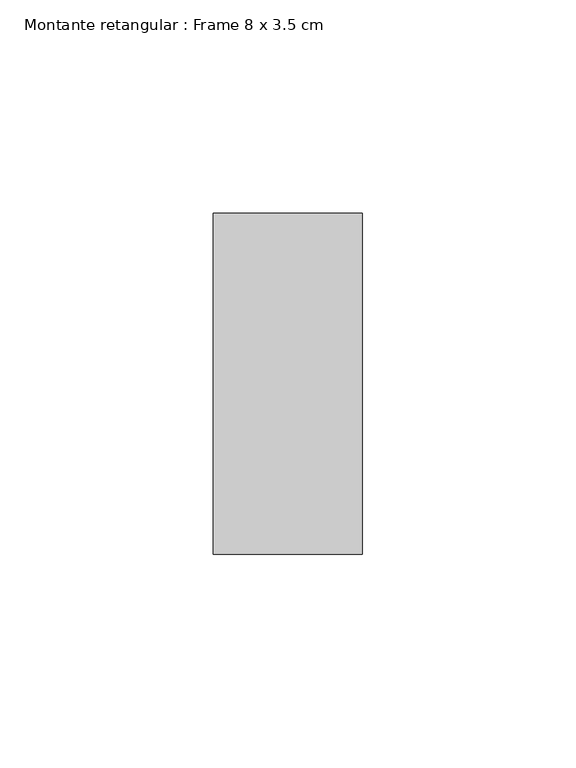
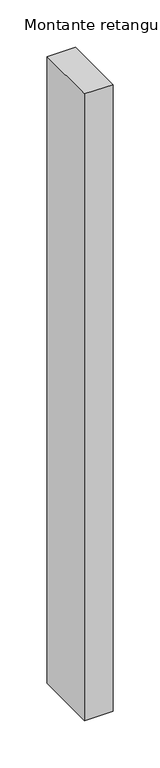
"""IFC4 building model written with IfcOpenShell, lengths in millimetres: member geometry, Montante retangular : Frame 8 x 3.5 cm."""

from ifc_helpers import new_model, si_unit, frame, origin, place, context, project, spatial, polyline, outline, extrude, source, transform, mapped, element, save


def montante_retangular_frame_8_x_3_5_cm_d47e9bd2(model_context):
    return source(origin(), model_context, "Body", "SweptSolid", [
        extrude(outline(polyline([(0.0, 40.0), (0.0, -40.0), (-35.0, -40.0), (-35.0, 40.0), (0.0, 40.0)])), frame((0.0, 0.0, -812.5), z_axis=(0.0, 0.0, 1.0), x_axis=(1.0, 0.0, 0.0)), (0.0, 0.0, 1.0), 812.5),
    ])


if __name__ == "__main__":
    model = new_model("IFC4")
    model_context = context("Model", 3, world=origin())
    ifc_project = project(units=[si_unit("LENGTHUNIT", "METRE", prefix="MILLI")], contexts=[model_context])
    site = spatial("IfcSite", under=ifc_project)
    building = spatial("IfcBuilding", under=site)
    placement = place(None, origin())
    montante_retangular_frame_8_x_3_5_cm_shape = montante_retangular_frame_8_x_3_5_cm_d47e9bd2(model_context)
    element("IfcMember", 1, ObjectType="Montante retangular : Frame 8 x 3.5 cm", at=placement, inside=building, context=model_context, shape_type="MappedRepresentation", body=[
        mapped(montante_retangular_frame_8_x_3_5_cm_shape, transform((0.0, 0.0, 0.0), x_axis=(1.0, 0.0, 0.0), y_axis=(0.0, 1.0, 0.0), z_axis=(0.0, 0.0, 1.0))),
    ])
    save(model, "model.ifc")
